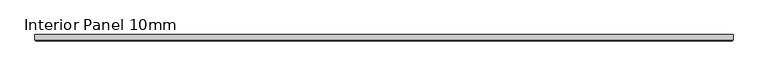
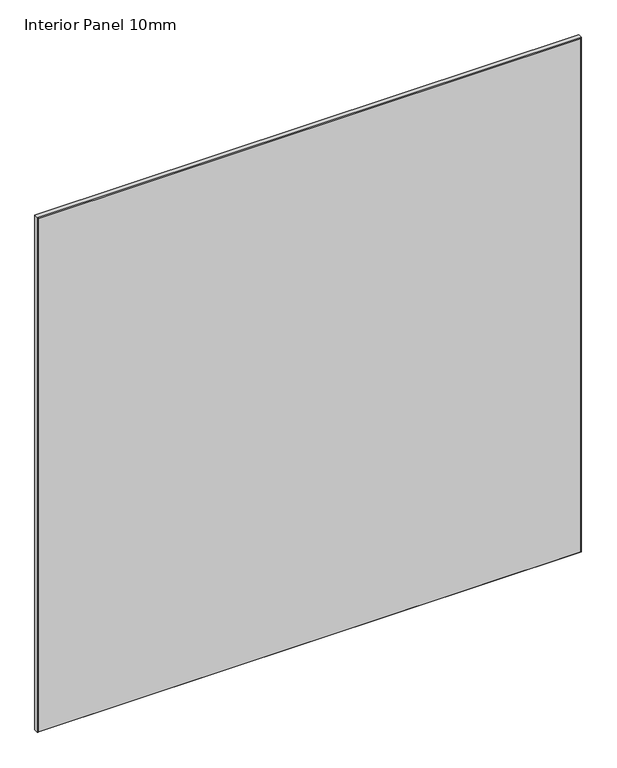
"""IFC4 building model written with IfcOpenShell, lengths in millimetres: proxy geometry, Interior Panel 10mm."""

from ifc_helpers import new_model, si_unit, origin, place, context, project, spatial, faceted_brep, source, transform, mapped, element, save


def interior_panel_10mm_414d8b6d(model_context):
    return source(origin(), model_context, "Body", "Brep", [
        faceted_brep([(990.6, 3.175, 1063.625), (-73.025, 3.175, 1063.625), (-73.025, -4.7625, 1063.625), (990.6, -4.7625, 1063.625), (990.6, 3.175, 0.0), (990.6, -4.7625, 0.0), (-73.025, -4.7625, 0.0), (-73.025, 3.175, 0.0), (-71.4375, -6.35, 1062.0375), (-71.4375, -6.35, 1.5875), (989.0125, -6.35, 1.5875), (989.0125, -6.35, 1062.0375)], [[[0, 1, 2, 3]], [[4, 5, 6, 7]], [[1, 0, 4, 7]], [[2, 1, 7, 6]], [[8, 9, 10, 11]], [[0, 3, 5, 4]], [[2, 6, 9, 8]], [[5, 3, 11, 10]], [[3, 2, 8, 11]], [[6, 5, 10, 9]]]),
    ])


if __name__ == "__main__":
    model = new_model("IFC4")
    model_context = context("Model", 3, world=origin())
    ifc_project = project(units=[si_unit("LENGTHUNIT", "METRE", prefix="MILLI")], contexts=[model_context])
    site = spatial("IfcSite", under=ifc_project)
    building = spatial("IfcBuilding", under=site)
    placement = place(None, origin())
    interior_panel_10mm_shape = interior_panel_10mm_414d8b6d(model_context)
    element("IfcBuildingElementProxy", 1, Name="Interior Panel 10mm", ObjectType="Interior Panel 10mm", at=placement, inside=building, context=model_context, shape_type="MappedRepresentation", body=[
        mapped(interior_panel_10mm_shape, transform((0.0, 0.0, 0.0), x_axis=(1.0, 0.0, 0.0), y_axis=(0.0, 1.0, 0.0), z_axis=(0.0, 0.0, 1.0))),
    ])
    save(model, "model.ifc")
